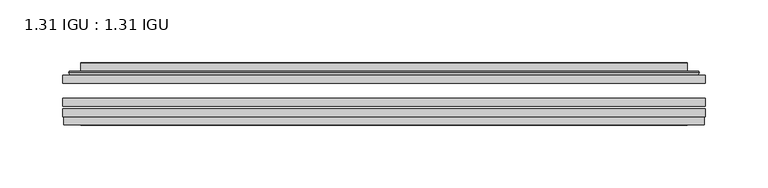
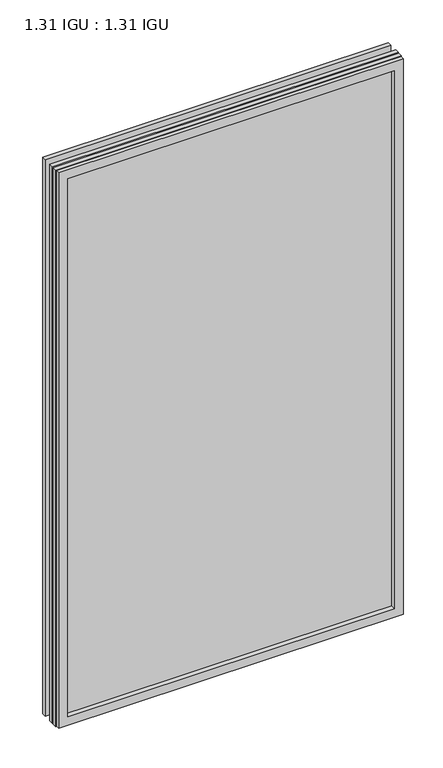
"""IFC4 building model written with IfcOpenShell, lengths in millimetres: plate geometry, 1.31 IGU : 1.31 IGU."""

from ifc_helpers import new_model, si_unit, frame, origin, place, context, project, spatial, polyline, ellipse_curve, outline, extrude, faceted_brep, source, transform, mapped, element, save
from ifc_brep_helpers import plane_surface, cylinder_surface, advanced_brep


def plate_1_31_igu_1_31_igu_060c83ff(model_context):
    return source(origin(), model_context, "Body", "SolidModel", [
        extrude(outline(polyline([(255.601675, -63.59525), (255.601675, -69.94525), (-255.5875, -69.94525), (-255.5875, -63.59525), (255.601675, -63.59525)])), frame((0.0, 0.0, -14.2875), z_axis=(0.0, 0.0, 1.0), x_axis=(1.0, 0.0, 0.0)), (0.0, 0.0, 1.0), 869.9537979),
        extrude(outline(polyline([(-255.5875, -78.58125), (-255.5875, -72.230745), (255.601675, -72.230745), (255.601675, -78.58125), (-255.5875, -78.58125)])), frame((0.0, 0.0, -14.2875), z_axis=(0.0, 0.0, 1.0), x_axis=(1.0, 0.0, 0.0)), (0.0, 0.0, 1.0), 869.9537979),
        extrude(outline(polyline([(255.601675, -45.25645), (255.601675, -51.60645), (-255.5875, -51.60645), (-255.5875, -45.25645), (255.601675, -45.25645)])), frame((0.0, 0.0, -14.2875), z_axis=(0.0, 0.0, 1.0), x_axis=(1.0, 0.0, 0.0)), (0.0, 0.0, 1.0), 869.9537979),
        faceted_brep([(-254.8873142, -84.93125, 854.9623142), (-254.8873142, -78.58125, 854.9623142), (-254.8873142, -78.58125, -13.5873142), (-254.8873142, -84.93125, -13.5873142), (254.8873142, -78.58125, -13.5873142), (254.8873142, -84.93125, -13.5873142), (254.8873142, -78.58125, 854.9623142), (254.8873142, -84.93125, 854.9623142), (-240.4022559, -78.58125, 0.8977441), (240.4022559, -78.58125, 0.8977441), (240.4022559, -78.58125, 840.4772559), (-240.4022559, -78.58125, 840.4772559), (-241.2946902, -84.93125, 841.3696902), (241.2946902, -84.93125, 841.3696902), (241.2946902, -84.93125, 0.0053098), (-241.2946902, -84.93125, 0.0053098)], [[[0, 1, 2, 3]], [[3, 2, 4, 5]], [[5, 4, 6, 7]], [[1, 6, 4, 2], [8, 9, 10, 11]], [[7, 6, 1, 0]], [[3, 5, 7, 0], [12, 13, 14, 15]], [[11, 12, 15, 8]], [[8, 15, 14, 9]], [[9, 14, 13, 10]], [[10, 13, 12, 11]]]),
        advanced_brep(
        [(-248.346219, -45.25645, 848.421219), (-250.7004244, -43.2667833, 850.7754244), (-250.7004244, -43.2667833, -9.4004244), (-248.346219, -45.25645, -7.046219), (-239.2718939, -41.416413, 839.3468939), (-234.3370621, -45.25645, 834.4120621), (-234.3370621, -45.25645, 6.9629379), (-239.2718939, -41.416413, 2.0281061), (-240.3039217, -36.0191819, 840.3789217), (-240.3039217, -36.0191819, 0.9960783), (-241.2945784, -35.6202069, 841.3695784), (-241.2945784, -35.6202069, 0.0054216), (-241.2945784, -42.08145, 841.3695784), (-241.2945784, -42.08145, 0.0054216), (-249.6986349, -42.08145, 849.7736349), (-249.6986349, -42.08145, -8.3986349), (250.7004244, -43.2667833, -9.4004244), (248.346219, -45.25645, -7.046219), (234.3370621, -45.25645, 6.9629379), (239.2718939, -41.416413, 2.0281061), (240.3039217, -36.0191819, 0.9960783), (241.2945784, -35.6202069, 0.0054216), (241.2945784, -42.08145, 0.0054216), (249.6986349, -42.08145, -8.3986349), (250.7004244, -43.2667833, 850.7754244), (248.346219, -45.25645, 848.421219), (234.3370621, -45.25645, 834.4120621), (239.2718939, -41.416413, 839.3468939), (240.3039217, -36.0191819, 840.3789217), (241.2945784, -35.6202069, 841.3695784), (241.2945784, -42.08145, 841.3695784), (249.6986349, -42.08145, 849.7736349)],
        [
            (0, 1, ellipse_curve(frame((-248.346219, -42.86885, 848.421219), z_axis=(-0.7071067811865475, 0.0, -0.7071067811865475), x_axis=(-0.7071067811865474, 0.0, 0.7071067811865476)), 3.3765763, 2.3876)),
            (1, 2),
            (2, 3, ellipse_curve(frame((-248.346219, -42.86885, -7.046219), z_axis=(-0.7071067811865475, 0.0, 0.7071067811865475), x_axis=(0.7071067811865474, 0.0, 0.7071067811865476)), 3.3765763, 2.3876)),
            (3, 0),
            (4, 5),
            (5, 6),
            (6, 7),
            (7, 4),
            (8, 4),
            (7, 9),
            (9, 8),
            (10, 8, ellipse_curve(frame((-240.9276219, -36.1384423, 841.0026219), z_axis=(-0.7071067811865475, 0.0, -0.7071067811865475), x_axis=(-0.7071067811865474, 0.0, 0.7071067811865476)), 0.8980256, 0.635)),
            (9, 11, ellipse_curve(frame((-240.9276219, -36.1384423, 0.3723781), z_axis=(-0.7071067811865475, 0.0, 0.7071067811865475), x_axis=(0.7071067811865474, 0.0, 0.7071067811865476)), 0.8980256, 0.635)),
            (11, 10),
            (12, 10),
            (11, 13),
            (13, 12),
            (1, 14, ellipse_curve(frame((-249.6986349, -43.09745, 849.7736349), z_axis=(-0.7071067811865475, 0.0, -0.7071067811865475), x_axis=(-0.7071067811865474, 0.0, 0.7071067811865476)), 1.436841, 1.016)),
            (14, 15),
            (15, 2, ellipse_curve(frame((-249.6986349, -43.09745, -8.3986349), z_axis=(-0.7071067811865475, 0.0, 0.7071067811865475), x_axis=(0.7071067811865474, 0.0, 0.7071067811865476)), 1.436841, 1.016)),
            (2, 16),
            (16, 17, ellipse_curve(frame((248.346219, -42.86885, -7.046219), z_axis=(-0.7071067811865475, 0.0, -0.7071067811865475), x_axis=(-0.7071067811865476, 0.0, 0.7071067811865474)), 3.3765763, 2.3876)),
            (17, 3),
            (6, 18),
            (18, 19),
            (19, 7),
            (19, 20),
            (20, 9),
            (20, 21, ellipse_curve(frame((240.9276219, -36.1384423, 0.3723781), z_axis=(-0.7071067811865475, 0.0, -0.7071067811865475), x_axis=(-0.7071067811865476, 0.0, 0.7071067811865474)), 0.8980256, 0.635)),
            (21, 11),
            (21, 22),
            (22, 13),
            (15, 23),
            (23, 16, ellipse_curve(frame((249.6986349, -43.09745, -8.3986349), z_axis=(-0.7071067811865475, 0.0, -0.7071067811865475), x_axis=(-0.7071067811865476, 0.0, 0.7071067811865474)), 1.436841, 1.016)),
            (16, 24),
            (24, 25, ellipse_curve(frame((248.346219, -42.86885, 848.421219), z_axis=(0.7071067811865475, 0.0, -0.7071067811865475), x_axis=(-0.7071067811865474, 0.0, -0.7071067811865476)), 3.3765763, 2.3876)),
            (25, 17),
            (18, 26),
            (26, 27),
            (27, 19),
            (27, 28),
            (28, 20),
            (28, 29, ellipse_curve(frame((240.9276219, -36.1384423, 841.0026219), z_axis=(0.7071067811865475, 0.0, -0.7071067811865475), x_axis=(-0.7071067811865474, 0.0, -0.7071067811865476)), 0.8980256, 0.635)),
            (29, 21),
            (29, 30),
            (30, 22),
            (23, 31),
            (31, 24, ellipse_curve(frame((249.6986349, -43.09745, 849.7736349), z_axis=(0.7071067811865475, 0.0, -0.7071067811865475), x_axis=(-0.7071067811865474, 0.0, -0.7071067811865476)), 1.436841, 1.016)),
            (24, 1),
            (0, 25),
            (5, 26),
            (4, 27),
            (8, 28),
            (10, 29),
            (12, 30),
            (14, 31),
        ],
        [
            cylinder_surface(frame((-248.346219, -42.86885, 873.125), z_axis=(0.0, 0.0, 1.0), x_axis=(-1.0, 0.0, 0.0)), 2.3876),
            plane_surface(frame((-234.3370621, -45.25645, 834.4120621), z_axis=(0.6141233906514794, 0.7892100234124821, 0.0), x_axis=(0.0, 0.0, -1.0))),
            plane_surface(frame((-239.2718939, -41.416413, 839.3468939), z_axis=(0.9822050625507729, 0.18781164793386076, 0.0), x_axis=(0.0, 0.0, -1.0))),
            cylinder_surface(frame((-240.9276219, -36.1384423, 873.125), z_axis=(0.0, 0.0, 1.0), x_axis=(-1.0, 0.0, 0.0)), 0.635),
            plane_surface(frame((-241.2945784, -35.6202069, 841.3695784), z_axis=(-1.0, 0.0, 0.0), x_axis=(0.0, 0.0, -1.0))),
            cylinder_surface(frame((-249.6986349, -43.09745, 873.125), z_axis=(0.0, 0.0, 1.0), x_axis=(-1.0, 0.0, 0.0)), 1.016),
            cylinder_surface(frame((-273.05, -42.86885, -7.046219), z_axis=(-1.0, 0.0, 0.0), x_axis=(0.0, 0.0, -1.0)), 2.3876),
            plane_surface(frame((-234.3370621, -45.25645, 6.9629379), z_axis=(0.0, 0.7892100234124841, 0.6141233906514768), x_axis=(1.0, 0.0, 0.0))),
            plane_surface(frame((-239.2718939, -41.416413, 2.0281061), z_axis=(0.0, 0.18781164793386393, 0.9822050625507723), x_axis=(1.0, 0.0, 0.0))),
            cylinder_surface(frame((-273.05, -36.1384423, 0.3723781), z_axis=(-1.0, 0.0, 0.0), x_axis=(0.0, 0.0, -1.0)), 0.635),
            plane_surface(frame((-241.2945784, -35.6202069, 0.0054216), z_axis=(0.0, 0.0, -1.0), x_axis=(1.0, 0.0, 0.0))),
            cylinder_surface(frame((-273.05, -43.09745, -8.3986349), z_axis=(-1.0, 0.0, 0.0), x_axis=(0.0, 0.0, -1.0)), 1.016),
            cylinder_surface(frame((248.346219, -42.86885, -31.75), z_axis=(0.0, 0.0, -1.0), x_axis=(1.0, 0.0, 0.0)), 2.3876),
            plane_surface(frame((234.3370621, -45.25645, 6.9629379), z_axis=(-0.6141233906514743, 0.7892100234124861, 0.0), x_axis=(0.0, 0.0, 1.0))),
            plane_surface(frame((239.2718939, -41.416413, 2.0281061), z_axis=(-0.9822050625507718, 0.1878116479338671, 0.0), x_axis=(0.0, 0.0, 1.0))),
            cylinder_surface(frame((240.9276219, -36.1384423, -31.75), z_axis=(0.0, 0.0, -1.0), x_axis=(1.0, 0.0, 0.0)), 0.635),
            plane_surface(frame((241.2945784, -35.6202069, 0.0054216), z_axis=(1.0, 0.0, 0.0), x_axis=(0.0, 0.0, 1.0))),
            cylinder_surface(frame((249.6986349, -43.09745, -31.75), z_axis=(0.0, 0.0, -1.0), x_axis=(1.0, 0.0, 0.0)), 1.016),
            cylinder_surface(frame((273.05, -42.86885, 848.421219), z_axis=(1.0, 0.0, 0.0), x_axis=(0.0, 0.0, 1.0)), 2.3876),
            plane_surface(frame((248.346219, -45.25645, 848.421219), z_axis=(0.0, -1.0, 0.0), x_axis=(-1.0, 0.0, 0.0))),
            plane_surface(frame((234.3370621, -45.25645, 834.4120621), z_axis=(0.0, 0.7892100234124841, -0.6141233906514768), x_axis=(-1.0, 0.0, 0.0))),
            plane_surface(frame((239.2718939, -41.416413, 839.3468939), z_axis=(0.0, 0.18781164793386393, -0.9822050625507723), x_axis=(-1.0, 0.0, 0.0))),
            cylinder_surface(frame((273.05, -36.1384423, 841.0026219), z_axis=(1.0, 0.0, 0.0), x_axis=(0.0, 0.0, 1.0)), 0.635),
            plane_surface(frame((241.2945784, -35.6202069, 841.3695784), z_axis=(0.0, 0.0, 1.0), x_axis=(-1.0, 0.0, 0.0))),
            plane_surface(frame((241.2945784, -42.08145, 841.3695784), z_axis=(0.0, 1.0, 0.0), x_axis=(-1.0, 0.0, 0.0))),
            cylinder_surface(frame((273.05, -43.09745, 849.7736349), z_axis=(1.0, 0.0, 0.0), x_axis=(0.0, 0.0, 1.0)), 1.016),
        ],
        [
            (0, [[1, 2, 3, 4]]),
            (1, [[5, 6, 7, 8]]),
            (2, [[9, -8, 10, 11]]),
            (3, [[12, -11, 13, 14]]),
            (4, [[15, -14, 16, 17]]),
            (5, [[18, 19, 20, -2]]),
            (6, [[-3, 21, 22, 23]]),
            (7, [[-7, 24, 25, 26]]),
            (8, [[-10, -26, 27, 28]]),
            (9, [[-13, -28, 29, 30]]),
            (10, [[-16, -30, 31, 32]]),
            (11, [[-20, 33, 34, -21]]),
            (12, [[-22, 35, 36, 37]]),
            (13, [[-25, 38, 39, 40]]),
            (14, [[-27, -40, 41, 42]]),
            (15, [[-29, -42, 43, 44]]),
            (16, [[-31, -44, 45, 46]]),
            (17, [[-34, 47, 48, -35]]),
            (18, [[-36, 49, -1, 50]]),
            (19, [[-23, -37, -50, -4], [51, -38, -24, -6]]),
            (20, [[-39, -51, -5, 52]]),
            (21, [[-41, -52, -9, 53]]),
            (22, [[-43, -53, -12, 54]]),
            (23, [[-45, -54, -15, 55]]),
            (24, [[56, -47, -33, -19], [-32, -46, -55, -17]]),
            (25, [[-48, -56, -18, -49]]),
        ],
    ),
    ])


if __name__ == "__main__":
    model = new_model("IFC4")
    model_context = context("Model", 3, world=origin())
    ifc_project = project(units=[si_unit("LENGTHUNIT", "METRE", prefix="MILLI")], contexts=[model_context])
    site = spatial("IfcSite", under=ifc_project)
    building = spatial("IfcBuilding", under=site)
    placement = place(None, origin())
    plate_1_31_igu_1_31_igu_shape = plate_1_31_igu_1_31_igu_060c83ff(model_context)
    element("IfcPlate", 1, ObjectType="1.31 IGU : 1.31 IGU", at=placement, inside=building, context=model_context, shape_type="MappedRepresentation", body=[
        mapped(plate_1_31_igu_1_31_igu_shape, transform((0.0, 0.0, 0.0), x_axis=(1.0, 0.0, 0.0), y_axis=(0.0, 1.0, 0.0), z_axis=(0.0, 0.0, 1.0))),
    ])
    save(model, "model.ifc")
